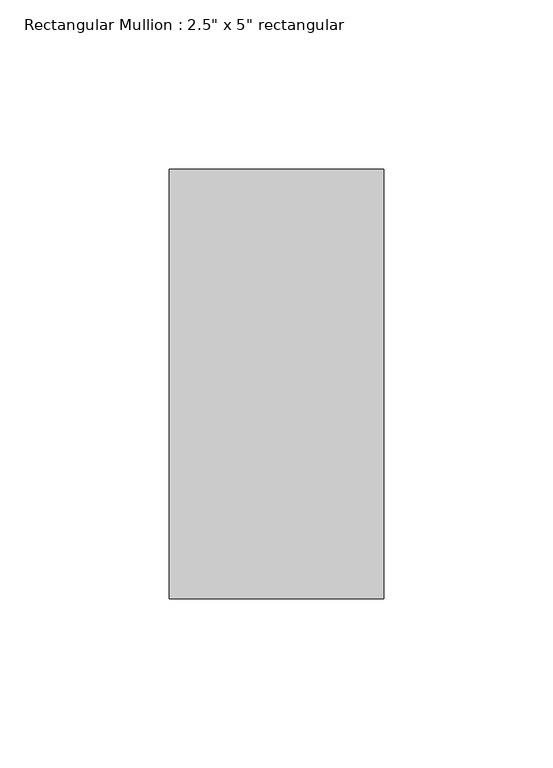
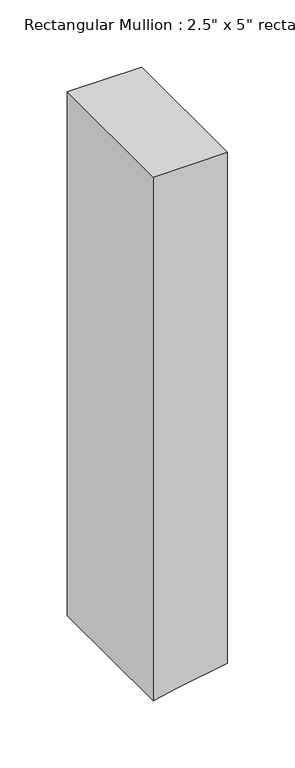
"""IFC4 building model written with IfcOpenShell, lengths in millimetres: member geometry."""

from ifc_helpers import new_model, si_unit, frame, origin, place, context, project, spatial, polyline, outline, extrude, source, transform, mapped, element, save


def member_5ec178ac(model_context):
    return source(origin(), model_context, "Body", "SweptSolid", [
        extrude(outline(polyline([(0.0, 31.75), (0.0, -31.75), (-473.974744, -31.75), (-470.0746517, -11.5574072), (-462.4065143, 31.75), (0.0, 31.75)])), frame((0.0, -63.5, 0.0), z_axis=(0.0, 1.0, 0.0), x_axis=(0.0, 0.0, 1.0)), (0.0, 0.0, 1.0), 127.0),
    ])


if __name__ == "__main__":
    model = new_model("IFC4")
    model_context = context("Model", 3, world=origin())
    ifc_project = project(units=[si_unit("LENGTHUNIT", "METRE", prefix="MILLI")], contexts=[model_context])
    site = spatial("IfcSite", under=ifc_project)
    building = spatial("IfcBuilding", under=site)
    placement = place(None, origin())
    member_shape = member_5ec178ac(model_context)
    element("IfcMember", 1, ObjectType="Rectangular Mullion : 2.5\" x 5\" rectangular", at=placement, inside=building, context=model_context, shape_type="MappedRepresentation", body=[
        mapped(member_shape, transform((0.0, 0.0, 0.0), x_axis=(1.0, 0.0, 0.0), y_axis=(0.0, 1.0, 0.0), z_axis=(0.0, 0.0, 1.0))),
    ])
    save(model, "model.ifc")
